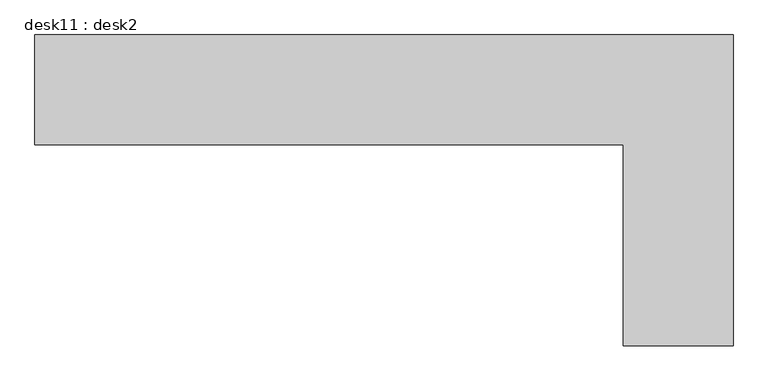
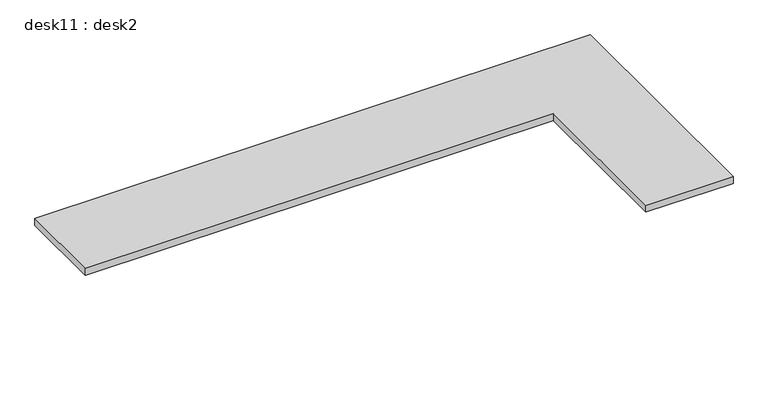
"""IFC4 building model written with IfcOpenShell, lengths in millimetres: furniture geometry, desk11 : desk2."""

from ifc_helpers import new_model, si_unit, frame, origin, place, context, project, spatial, polyline, outline, extrude, source, transform, mapped, element, save


def desk11_desk2_006ac83c(model_context):
    return source(origin(), model_context, "Body", "SweptSolid", [
        extrude(outline(polyline([(-165801.6068038, -13833.4646139), (-165801.6068038, -13223.8646139), (-161920.7785142, -13223.8646139), (-161920.7785142, -14951.0646139), (-162530.3785142, -14951.0646139), (-162530.3785142, -13833.4646139), (-165801.6068038, -13833.4646139)])), frame((0.0, 0.0, 762.0), z_axis=(0.0, 0.0, 1.0), x_axis=(1.0, 0.0, 0.0)), (0.0, 0.0, 1.0), 50.8),
    ])


if __name__ == "__main__":
    model = new_model("IFC4")
    model_context = context("Model", 3, world=origin())
    ifc_project = project(units=[si_unit("LENGTHUNIT", "METRE", prefix="MILLI")], contexts=[model_context])
    site = spatial("IfcSite", under=ifc_project)
    building = spatial("IfcBuilding", under=site)
    placement = place(None, origin())
    desk11_desk2_shape = desk11_desk2_006ac83c(model_context)
    element("IfcFurniture", 1, ObjectType="desk11 : desk2", at=placement, inside=building, context=model_context, shape_type="MappedRepresentation", body=[
        mapped(desk11_desk2_shape, transform((0.0, 0.0, 0.0), x_axis=(1.0, 0.0, 0.0), y_axis=(0.0, 1.0, 0.0), z_axis=(0.0, 0.0, 1.0))),
    ])
    save(model, "model.ifc")
